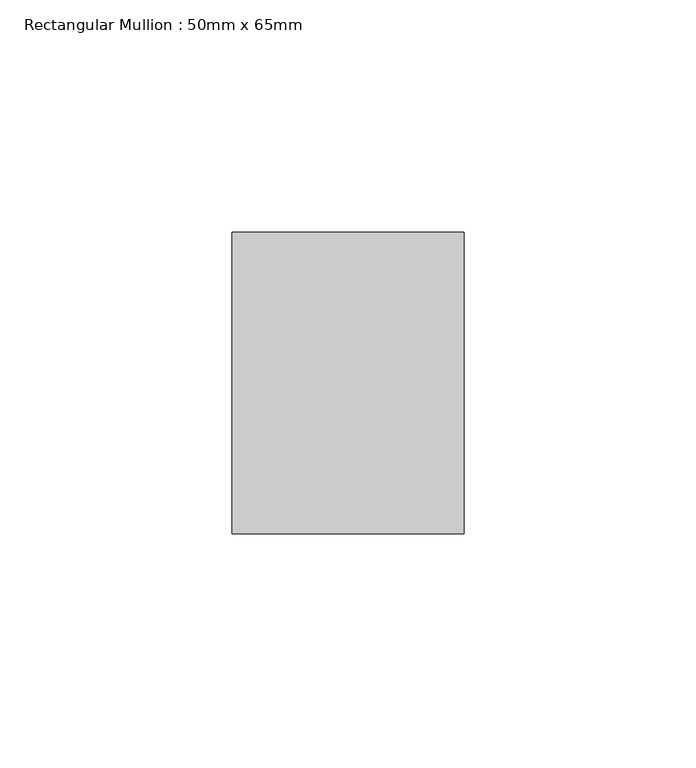
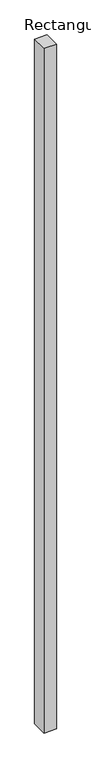
"""IFC4 building model written with IfcOpenShell, lengths in millimetres: member geometry, Rectangular Mullion : 50mm x 65mm."""

import ifcopenshell
import ifcopenshell.guid

model = None  # the IFC model being written
_history = None  # IfcOwnerHistory: only IFC2X3 demands one
_inside = {}  # id of a spatial element -> (the spatial element, [elements in it])
_under = {}  # id of a project, library or spatial element -> (it, [spatial elements below it])
_declared = {}  # id of a project -> (the project, [libraries it declares])
_typed = {}  # id of a type object -> (the type object, [elements of that type])
_made_of = {}  # id of a material, layer set ... -> (it, [elements and type objects made of it])


def new_model(schema):
    """Start an empty IFC model of exactly this schema.

    Asked for "IFC4X3", IfcOpenShell would pick the latest addendum, in which some entities
    have other attributes; the version numbers below select the first issue.
    IFC2X3 requires an IfcOwnerHistory on every rooted entity: one is made here for all.
    """
    global model, _history
    if schema == "IFC4X3":
        model = ifcopenshell.file(schema_version=(4, 3, 0, 0))
    else:
        model = ifcopenshell.file(schema=schema)
    _inside.clear()
    _under.clear()
    _declared.clear()
    _typed.clear()
    _made_of.clear()
    _history = None
    if model.schema == "IFC2X3":
        org = make("IfcOrganization", Name="unknown")
        user = make(
            "IfcPersonAndOrganization",
            ThePerson=make("IfcPerson", FamilyName="unknown"),
            TheOrganization=org,
        )
        app = make(
            "IfcApplication",
            ApplicationDeveloper=org,
            Version="unknown",
            ApplicationFullName="unknown",
            ApplicationIdentifier="unknown",
        )
        _history = make(
            "IfcOwnerHistory",
            OwningUser=user,
            OwningApplication=app,
            ChangeAction="ADDED",
            CreationDate=0,
        )
    return model


def make(cls, **values):
    """One entity of the class cls with the attributes given. An attribute that is None is left unset."""
    return model.create_entity(
        cls, **{name: value for name, value in values.items() if value is not None}
    )


def rooted(cls, **values):
    """An entity with a GlobalId (a new one), such as an element, a storey or a relation."""
    return make(cls, GlobalId=ifcopenshell.guid.new(), OwnerHistory=_history, **values)


def si_unit(unit_type, name, prefix=None):
    """IfcSIUnit, for example si_unit("LENGTHUNIT", "METRE", prefix="MILLI")."""
    return make("IfcSIUnit", UnitType=unit_type, Prefix=prefix, Name=name)


def assignment(units):
    """IfcUnitAssignment: the units of a project."""
    return None if units is None else make("IfcUnitAssignment", Units=units)


def point(xyz):
    """IfcCartesianPoint."""
    return None if xyz is None else make("IfcCartesianPoint", Coordinates=xyz)


def direction(xyz):
    """IfcDirection."""
    return None if xyz is None else make("IfcDirection", DirectionRatios=xyz)


def frame(location, z_axis=None, x_axis=None):
    """IfcAxis2Placement3D, a coordinate frame: its origin and axes. An axis left out is left unset."""
    return make(
        "IfcAxis2Placement3D",
        Location=point(location),
        Axis=direction(z_axis),
        RefDirection=direction(x_axis),
    )


def origin():
    """The frame at (0, 0, 0) with its axes left unset."""
    return frame((0.0, 0.0, 0.0))


def place(relative_to, where):
    """IfcLocalPlacement: puts the frame where relative to a parent placement (None: the world)."""
    return make(
        "IfcLocalPlacement", PlacementRelTo=relative_to, RelativePlacement=where
    )


def context(
    kind, dimensions, precision=None, world=None, true_north=None, identifier=None
):
    """IfcGeometricRepresentationContext, for example the 3D "Model" context."""
    return make(
        "IfcGeometricRepresentationContext",
        ContextIdentifier=identifier,
        ContextType=kind,
        CoordinateSpaceDimension=dimensions,
        Precision=precision,
        WorldCoordinateSystem=world,
        TrueNorth=true_north,
    )


def project(units=None, contexts=None):
    """IfcProject with its units and contexts."""
    return rooted(
        "IfcProject",
        Name="project",
        RepresentationContexts=contexts,
        UnitsInContext=assignment(units),
    )


def spatial(cls, under=None, at=None, **own):
    """A site, building, storey or space (cls), placed at a placement, below another one or the project."""
    s = rooted(cls, ObjectPlacement=at, **own)
    if under is not None:
        _under.setdefault(under.id(), (under, []))[1].append(s)
    return s


def polyline(points):
    """IfcPolyline through the points."""
    return make("IfcPolyline", Points=[point(p) for p in points])


def outline(outer, holes=None, kind="AREA"):
    """IfcArbitraryClosedProfileDef: a profile drawn as a closed curve; with holes, ...WithVoids."""
    if holes is None:
        return make("IfcArbitraryClosedProfileDef", ProfileType=kind, OuterCurve=outer)
    return make(
        "IfcArbitraryProfileDefWithVoids",
        ProfileType=kind,
        OuterCurve=outer,
        InnerCurves=holes,
    )


def extrude(swept, where, along, depth):
    """IfcExtrudedAreaSolid: the profile swept, set in the frame where, extruded along a direction by depth."""
    return make(
        "IfcExtrudedAreaSolid",
        SweptArea=swept,
        Position=where,
        ExtrudedDirection=direction(along),
        Depth=depth,
    )


def shape(context_of_items, identifier, shape_type, items):
    """IfcShapeRepresentation: the items that make up one representation, for example the "Body"."""
    return make(
        "IfcShapeRepresentation",
        ContextOfItems=context_of_items,
        RepresentationIdentifier=identifier,
        RepresentationType=shape_type,
        Items=items,
    )


def source(mapping_origin, context_of_items, identifier, shape_type, items):
    """IfcRepresentationMap: a shape defined once, which mapped items show again and again."""
    return make(
        "IfcRepresentationMap",
        MappingOrigin=mapping_origin,
        MappedRepresentation=shape(context_of_items, identifier, shape_type, items),
    )


def transform(
    local_origin,
    x_axis=None,
    y_axis=None,
    z_axis=None,
    scale=None,
    scale2=None,
    scale3=None,
    uniform=True,
):
    """IfcCartesianTransformationOperator3D, or its non-uniform kind. x_axis, y_axis, z_axis: its Axis1, 2, 3."""
    if uniform:
        return make(
            "IfcCartesianTransformationOperator3D",
            Axis1=direction(x_axis),
            Axis2=direction(y_axis),
            LocalOrigin=point(local_origin),
            Scale=scale,
            Axis3=direction(z_axis),
        )
    return make(
        "IfcCartesianTransformationOperator3DnonUniform",
        Axis1=direction(x_axis),
        Axis2=direction(y_axis),
        LocalOrigin=point(local_origin),
        Scale=scale,
        Axis3=direction(z_axis),
        Scale2=scale2,
        Scale3=scale3,
    )


def mapped(mapping_source, mapping_target):
    """IfcMappedItem: shows the shape of a source again, moved by a transform."""
    return make(
        "IfcMappedItem", MappingSource=mapping_source, MappingTarget=mapping_target
    )


def made_of(thing, what):
    """Note that an element or type object is made of a material, layer set ...; save() writes the relation."""
    if what is not None:
        _made_of.setdefault(what.id(), (what, []))[1].append(thing)
    return thing


def element(
    cls,
    number,
    at=None,
    inside=None,
    cuts=None,
    type_object=None,
    material=None,
    context=None,
    identifier="Body",
    shape_type=None,
    held_by="IfcProductDefinitionShape",
    body=None,
    shapes=None,
    **own,
):
    """One element of the class cls, such as IfcWall. Its Tag is "e" and its number.

    at: its placement. inside: the storey or other place that contains it. cuts: it is an
    opening in that element (IfcRelVoidsElement). A single representation is given by context,
    identifier, shape_type and body (its items); several are given by shapes. held_by: the class
    of the entity that holds the representations. save() writes the other relations.
    """
    e = rooted(cls, Tag="e%d" % number, ObjectPlacement=at, **own)
    if body is not None:
        shapes = [shape(context, identifier, shape_type, body)]
    if shapes is not None:
        e.Representation = make(held_by, Representations=shapes)
    if inside is not None:
        _inside.setdefault(inside.id(), (inside, []))[1].append(e)
    if cuts is not None:
        rooted(
            "IfcRelVoidsElement", RelatingBuildingElement=cuts, RelatedOpeningElement=e
        )
    if type_object is not None:
        _typed.setdefault(type_object.id(), (type_object, []))[1].append(e)
    return made_of(e, material)


def aggregate(whole, parts):
    """IfcRelAggregates: a whole, such as a stair, and the parts it consists of."""
    return rooted("IfcRelAggregates", RelatingObject=whole, RelatedObjects=parts)


def save(model, path):
    """Write the relations noted so far, then the file.

    IfcRelAggregates (storeys below a building ...), IfcRelContainedInSpatialStructure (elements
    in a storey), IfcRelDefinesByType, IfcRelAssociatesMaterial and IfcRelDeclares: one each for
    every whole, place, type object, material and project.
    """
    for whole, parts in _under.values():
        aggregate(whole, parts)
    for where, things in _inside.values():
        rooted(
            "IfcRelContainedInSpatialStructure",
            RelatedElements=things,
            RelatingStructure=where,
        )
    for kind, things in _typed.values():
        rooted("IfcRelDefinesByType", RelatedObjects=things, RelatingType=kind)
    for what, things in _made_of.values():
        rooted("IfcRelAssociatesMaterial", RelatedObjects=things, RelatingMaterial=what)
    for by, libraries in _declared.values():
        rooted("IfcRelDeclares", RelatingContext=by, RelatedDefinitions=libraries)
    model.write(path)


def rectangular_mullion_50mm_x_65mm_35cadb78(model_context):
    return source(origin(), model_context, "Body", "SweptSolid", [
        extrude(outline(polyline([(25.0, 32.5), (25.0, -32.5), (-25.0, -32.5), (-25.0, 32.5), (25.0, 32.5)])), frame((0.0, 0.0, -2924.9794556), z_axis=(0.0, 0.0, 1.0), x_axis=(1.0, 0.0, 0.0)), (0.0, 0.0, 1.0), 2924.9794556),
    ])


if __name__ == "__main__":
    model = new_model("IFC4")
    model_context = context("Model", 3, world=origin())
    ifc_project = project(units=[si_unit("LENGTHUNIT", "METRE", prefix="MILLI")], contexts=[model_context])
    site = spatial("IfcSite", under=ifc_project)
    building = spatial("IfcBuilding", under=site)
    placement = place(None, origin())
    rectangular_mullion_50mm_x_65mm_shape = rectangular_mullion_50mm_x_65mm_35cadb78(model_context)
    element("IfcMember", 1, ObjectType="Rectangular Mullion : 50mm x 65mm", at=placement, inside=building, context=model_context, shape_type="MappedRepresentation", body=[
        mapped(rectangular_mullion_50mm_x_65mm_shape, transform((0.0, 0.0, 0.0), x_axis=(1.0, 0.0, 0.0), y_axis=(0.0, 1.0, 0.0), z_axis=(0.0, 0.0, 1.0))),
    ])
    save(model, "model.ifc")
